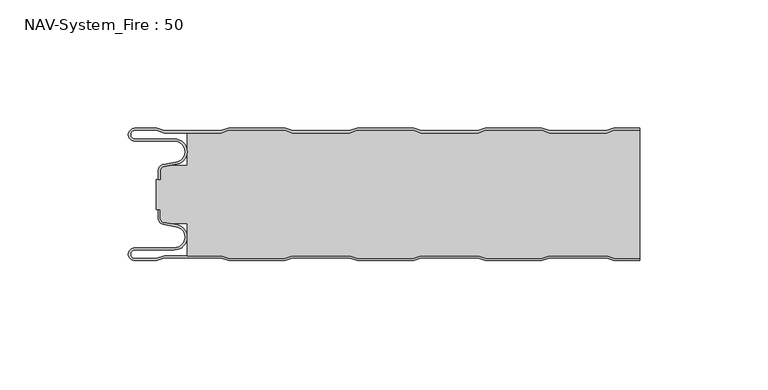
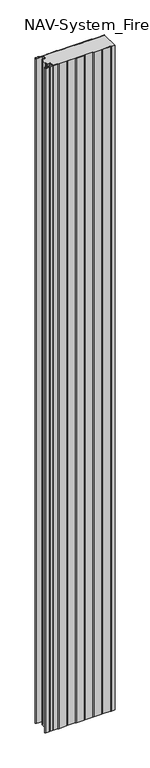
"""IFC4 building model written with IfcOpenShell, lengths in millimetres: plate geometry, NAV-System_Fire : 50."""

import ifcopenshell
import ifcopenshell.guid

model = None  # the IFC model being written
_history = None  # IfcOwnerHistory: only IFC2X3 demands one
_inside = {}  # id of a spatial element -> (the spatial element, [elements in it])
_under = {}  # id of a project, library or spatial element -> (it, [spatial elements below it])
_declared = {}  # id of a project -> (the project, [libraries it declares])
_typed = {}  # id of a type object -> (the type object, [elements of that type])
_made_of = {}  # id of a material, layer set ... -> (it, [elements and type objects made of it])


def new_model(schema):
    """Start an empty IFC model of exactly this schema.

    Asked for "IFC4X3", IfcOpenShell would pick the latest addendum, in which some entities
    have other attributes; the version numbers below select the first issue.
    IFC2X3 requires an IfcOwnerHistory on every rooted entity: one is made here for all.
    """
    global model, _history
    if schema == "IFC4X3":
        model = ifcopenshell.file(schema_version=(4, 3, 0, 0))
    else:
        model = ifcopenshell.file(schema=schema)
    _inside.clear()
    _under.clear()
    _declared.clear()
    _typed.clear()
    _made_of.clear()
    _history = None
    if model.schema == "IFC2X3":
        org = make("IfcOrganization", Name="unknown")
        user = make(
            "IfcPersonAndOrganization",
            ThePerson=make("IfcPerson", FamilyName="unknown"),
            TheOrganization=org,
        )
        app = make(
            "IfcApplication",
            ApplicationDeveloper=org,
            Version="unknown",
            ApplicationFullName="unknown",
            ApplicationIdentifier="unknown",
        )
        _history = make(
            "IfcOwnerHistory",
            OwningUser=user,
            OwningApplication=app,
            ChangeAction="ADDED",
            CreationDate=0,
        )
    return model


def make(cls, **values):
    """One entity of the class cls with the attributes given. An attribute that is None is left unset."""
    return model.create_entity(
        cls, **{name: value for name, value in values.items() if value is not None}
    )


def rooted(cls, **values):
    """An entity with a GlobalId (a new one), such as an element, a storey or a relation."""
    return make(cls, GlobalId=ifcopenshell.guid.new(), OwnerHistory=_history, **values)


def si_unit(unit_type, name, prefix=None):
    """IfcSIUnit, for example si_unit("LENGTHUNIT", "METRE", prefix="MILLI")."""
    return make("IfcSIUnit", UnitType=unit_type, Prefix=prefix, Name=name)


def assignment(units):
    """IfcUnitAssignment: the units of a project."""
    return None if units is None else make("IfcUnitAssignment", Units=units)


def point(xyz):
    """IfcCartesianPoint."""
    return None if xyz is None else make("IfcCartesianPoint", Coordinates=xyz)


def direction(xyz):
    """IfcDirection."""
    return None if xyz is None else make("IfcDirection", DirectionRatios=xyz)


def frame(location, z_axis=None, x_axis=None):
    """IfcAxis2Placement3D, a coordinate frame: its origin and axes. An axis left out is left unset."""
    return make(
        "IfcAxis2Placement3D",
        Location=point(location),
        Axis=direction(z_axis),
        RefDirection=direction(x_axis),
    )


def origin():
    """The frame at (0, 0, 0) with its axes left unset."""
    return frame((0.0, 0.0, 0.0))


def place(relative_to, where):
    """IfcLocalPlacement: puts the frame where relative to a parent placement (None: the world)."""
    return make(
        "IfcLocalPlacement", PlacementRelTo=relative_to, RelativePlacement=where
    )


def context(
    kind, dimensions, precision=None, world=None, true_north=None, identifier=None
):
    """IfcGeometricRepresentationContext, for example the 3D "Model" context."""
    return make(
        "IfcGeometricRepresentationContext",
        ContextIdentifier=identifier,
        ContextType=kind,
        CoordinateSpaceDimension=dimensions,
        Precision=precision,
        WorldCoordinateSystem=world,
        TrueNorth=true_north,
    )


def project(units=None, contexts=None):
    """IfcProject with its units and contexts."""
    return rooted(
        "IfcProject",
        Name="project",
        RepresentationContexts=contexts,
        UnitsInContext=assignment(units),
    )


def spatial(cls, under=None, at=None, **own):
    """A site, building, storey or space (cls), placed at a placement, below another one or the project."""
    s = rooted(cls, ObjectPlacement=at, **own)
    if under is not None:
        _under.setdefault(under.id(), (under, []))[1].append(s)
    return s


def polyline(points):
    """IfcPolyline through the points."""
    return make("IfcPolyline", Points=[point(p) for p in points])


def circle_curve(where, radius):
    """IfcCircle in the frame where."""
    return make("IfcCircle", Position=where, Radius=radius)


def shape(context_of_items, identifier, shape_type, items):
    """IfcShapeRepresentation: the items that make up one representation, for example the "Body"."""
    return make(
        "IfcShapeRepresentation",
        ContextOfItems=context_of_items,
        RepresentationIdentifier=identifier,
        RepresentationType=shape_type,
        Items=items,
    )


def source(mapping_origin, context_of_items, identifier, shape_type, items):
    """IfcRepresentationMap: a shape defined once, which mapped items show again and again."""
    return make(
        "IfcRepresentationMap",
        MappingOrigin=mapping_origin,
        MappedRepresentation=shape(context_of_items, identifier, shape_type, items),
    )


def transform(
    local_origin,
    x_axis=None,
    y_axis=None,
    z_axis=None,
    scale=None,
    scale2=None,
    scale3=None,
    uniform=True,
):
    """IfcCartesianTransformationOperator3D, or its non-uniform kind. x_axis, y_axis, z_axis: its Axis1, 2, 3."""
    if uniform:
        return make(
            "IfcCartesianTransformationOperator3D",
            Axis1=direction(x_axis),
            Axis2=direction(y_axis),
            LocalOrigin=point(local_origin),
            Scale=scale,
            Axis3=direction(z_axis),
        )
    return make(
        "IfcCartesianTransformationOperator3DnonUniform",
        Axis1=direction(x_axis),
        Axis2=direction(y_axis),
        LocalOrigin=point(local_origin),
        Scale=scale,
        Axis3=direction(z_axis),
        Scale2=scale2,
        Scale3=scale3,
    )


def mapped(mapping_source, mapping_target):
    """IfcMappedItem: shows the shape of a source again, moved by a transform."""
    return make(
        "IfcMappedItem", MappingSource=mapping_source, MappingTarget=mapping_target
    )


def made_of(thing, what):
    """Note that an element or type object is made of a material, layer set ...; save() writes the relation."""
    if what is not None:
        _made_of.setdefault(what.id(), (what, []))[1].append(thing)
    return thing


def element(
    cls,
    number,
    at=None,
    inside=None,
    cuts=None,
    type_object=None,
    material=None,
    context=None,
    identifier="Body",
    shape_type=None,
    held_by="IfcProductDefinitionShape",
    body=None,
    shapes=None,
    **own,
):
    """One element of the class cls, such as IfcWall. Its Tag is "e" and its number.

    at: its placement. inside: the storey or other place that contains it. cuts: it is an
    opening in that element (IfcRelVoidsElement). A single representation is given by context,
    identifier, shape_type and body (its items); several are given by shapes. held_by: the class
    of the entity that holds the representations. save() writes the other relations.
    """
    e = rooted(cls, Tag="e%d" % number, ObjectPlacement=at, **own)
    if body is not None:
        shapes = [shape(context, identifier, shape_type, body)]
    if shapes is not None:
        e.Representation = make(held_by, Representations=shapes)
    if inside is not None:
        _inside.setdefault(inside.id(), (inside, []))[1].append(e)
    if cuts is not None:
        rooted(
            "IfcRelVoidsElement", RelatingBuildingElement=cuts, RelatedOpeningElement=e
        )
    if type_object is not None:
        _typed.setdefault(type_object.id(), (type_object, []))[1].append(e)
    return made_of(e, material)


def aggregate(whole, parts):
    """IfcRelAggregates: a whole, such as a stair, and the parts it consists of."""
    return rooted("IfcRelAggregates", RelatingObject=whole, RelatedObjects=parts)


def save(model, path):
    """Write the relations noted so far, then the file.

    IfcRelAggregates (storeys below a building ...), IfcRelContainedInSpatialStructure (elements
    in a storey), IfcRelDefinesByType, IfcRelAssociatesMaterial and IfcRelDeclares: one each for
    every whole, place, type object, material and project.
    """
    for whole, parts in _under.values():
        aggregate(whole, parts)
    for where, things in _inside.values():
        rooted(
            "IfcRelContainedInSpatialStructure",
            RelatedElements=things,
            RelatingStructure=where,
        )
    for kind, things in _typed.values():
        rooted("IfcRelDefinesByType", RelatedObjects=things, RelatingType=kind)
    for what, things in _made_of.values():
        rooted("IfcRelAssociatesMaterial", RelatedObjects=things, RelatingMaterial=what)
    for by, libraries in _declared.values():
        rooted("IfcRelDeclares", RelatingContext=by, RelatedDefinitions=libraries)
    model.write(path)


def plane_surface(at):
    """IfcPlane: the flat surface through the origin of the frame at, square to its z axis."""
    return make("IfcPlane", Position=at)


def cylinder_surface(at, radius):
    """IfcCylindricalSurface: all points at the distance radius from the z axis of the frame at."""
    return make("IfcCylindricalSurface", Position=at, Radius=radius)


def revolved_surface(curve, axis_point, axis_direction):
    """IfcSurfaceOfRevolution: the curve turned about the line through axis_point along axis_direction."""
    return make(
        "IfcSurfaceOfRevolution",
        SweptCurve=make("IfcArbitraryOpenProfileDef", ProfileType="CURVE", Curve=curve),
        AxisPosition=make("IfcAxis1Placement", Location=point(axis_point), Axis=direction(axis_direction)),
    )


def advanced_brep(points, edges, surfaces, faces):
    """IfcAdvancedBrep: a solid bounded by faces that lie on surfaces and meet in shared edges.

    An edge is (start, end): straight between two places in points (the first is 0);
    or (start, end, curve); or (start, end, curve, False) where it runs against its curve.
    A face is (place in surfaces, loops), or (place, loops, False) where it looks against
    its surface's normal. A loop lists edges by number (the first is 1), with a minus sign
    where the edge is run from its end to its start. The first loop is the outer one.
    """
    corners = [point(p) for p in points]
    vertices = [make("IfcVertexPoint", VertexGeometry=c) for c in corners]
    made = []
    for start, end, *more in edges:
        made.append(
            make(
                "IfcEdgeCurve",
                EdgeStart=vertices[start],
                EdgeEnd=vertices[end],
                EdgeGeometry=more[0] if more else make("IfcPolyline", Points=[corners[start], corners[end]]),
                SameSense=more[1] if len(more) > 1 else True,
            )
        )
    hull = []
    for where, loops, *sense in faces:
        bounds = []
        for j, loop in enumerate(loops):
            ring = [make("IfcOrientedEdge", EdgeElement=made[abs(k) - 1], Orientation=k > 0) for k in loop]
            bounds.append(
                make(
                    "IfcFaceOuterBound" if j == 0 else "IfcFaceBound",
                    Bound=make("IfcEdgeLoop", EdgeList=ring),
                    Orientation=True,
                )
            )
        hull.append(make("IfcAdvancedFace", Bounds=bounds, FaceSurface=surfaces[where], SameSense=sense[0] if sense else True))
    return make("IfcAdvancedBrep", Outer=make("IfcClosedShell", CfsFaces=hull))


def nav_system_fire_50_a282d33f(model_context):
    return source(origin(), model_context, "Body", "AdvancedBrep", [
        advanced_brep(
        [(-88.6298221, -0.8, 0.0), (-97.0000001, -0.8, 0.0), (-97.0000001, -4.1999999, 0.0), (-81.6002086, -4.1999999, 0.0), (-80.7423864, -14.0049502, 0.0), (-85.6125665, -14.8636946, 0.0), (-87.1000004, -16.6363494, 0.0), (-87.1000014, -19.9421291, 0.0), (-87.9000014, -19.9421291, 0.0), (-87.9000014, -16.6363484, 0.0), (-85.7514853, -14.0758488, 0.0), (-80.8813015, -13.217104, 0.0), (-81.600205, -4.9999999, 0.0), (-97.0000001, -4.9999999, 0.0), (-97.0000001, 0.0, 0.0), (-88.5, 0.0, 0.0), (-85.5, -1.0, 0.0), (-63.5, -1.0, 0.0), (-60.5, 0.0, 0.0), (-38.5, 0.0, 0.0), (-35.5, -1.0, 0.0), (-13.5, -1.0, 0.0), (-10.5, 0.0, 0.0), (11.5, 0.0, 0.0), (14.5, -1.0, 0.0), (36.5, -1.0, 0.0), (39.5, 0.0, 0.0), (61.5, 0.0, 0.0), (64.5, -1.0, 0.0), (86.5, -1.0, 0.0), (89.5, 0.0, 0.0), (99.5, 0.0, 0.0), (99.5, -0.8, 0.0), (89.6298221, -0.8, 0.0), (86.6298221, -1.8, 0.0), (64.3701779, -1.8, 0.0), (61.3701779, -0.8, 0.0), (39.6298221, -0.8, 0.0), (36.6298221, -1.8, 0.0), (14.3701779, -1.8, 0.0), (11.3701779, -0.8, 0.0), (-10.3701779, -0.8, 0.0), (-13.3701779, -1.8, 0.0), (-35.6298221, -1.8, 0.0), (-38.6298221, -0.8, 0.0), (-60.3701779, -0.8, 0.0), (-63.3701779, -1.8, 0.0), (-85.6298221, -1.8, 0.0), (-88.6298221, -0.8, 2000.0), (-85.6298221, -1.8, 2000.0), (-63.3701779, -1.8, 2000.0), (-60.3701779, -0.8, 2000.0), (-38.6298221, -0.8, 2000.0), (-35.6298221, -1.8, 2000.0), (-13.3701779, -1.8, 2000.0), (-10.3701779, -0.8, 2000.0), (11.3701779, -0.8, 2000.0), (14.3701779, -1.8, 2000.0), (36.6298221, -1.8, 2000.0), (39.6298221, -0.8, 2000.0), (61.3701779, -0.8, 2000.0), (64.3701779, -1.8, 2000.0), (86.6298221, -1.8, 2000.0), (89.6298221, -0.8, 2000.0), (99.5, -0.8, 2000.0), (99.5, 0.0, 2000.0), (89.5, 0.0, 2000.0), (86.5, -1.0, 2000.0), (64.5, -1.0, 2000.0), (61.5, 0.0, 2000.0), (39.5, 0.0, 2000.0), (36.5, -1.0, 2000.0), (14.5, -1.0, 2000.0), (11.5, 0.0, 2000.0), (-10.5, 0.0, 2000.0), (-13.5, -1.0, 2000.0), (-35.5, -1.0, 2000.0), (-38.5, 0.0, 2000.0), (-60.5, 0.0, 2000.0), (-63.5, -1.0, 2000.0), (-85.5, -1.0, 2000.0), (-88.5, 0.0, 2000.0), (-97.0000001, 0.0, 2000.0), (-97.0000001, -4.9999999, 2000.0), (-81.600205, -4.9999999, 2000.0), (-80.8813015, -13.217104, 2000.0), (-85.7514853, -14.0758488, 2000.0), (-87.8999997, -16.6363484, 2000.0), (-87.9000014, -19.9421291, 2000.0), (-87.1000014, -19.9421291, 2000.0), (-87.1000014, -16.6363494, 2000.0), (-85.6125665, -14.8636946, 2000.0), (-80.7423864, -14.0049502, 2000.0), (-81.6002086, -4.1999999, 2000.0), (-97.0000001, -4.1999999, 2000.0), (-97.0000001, -0.8000002, 2000.0)],
        [
            (0, 1),
            (1, 2, circle_curve(frame((-97.0000001, -2.5, 0.0), z_axis=(0.0, 0.0, 1.0), x_axis=(1.0, 0.0, 0.0)), 1.6999999)),
            (2, 3),
            (3, 4, circle_curve(frame((-81.6002086, -9.1399999, 0.0), z_axis=(0.0, 0.0, -1.0), x_axis=(1.0, 0.0, 0.0)), 4.94)),
            (4, 5),
            (5, 6, circle_curve(frame((-85.2999995, -16.6363494, 0.0), z_axis=(0.0, 0.0, 1.0), x_axis=(1.0, 0.0, 0.0)), 1.8000009)),
            (6, 7),
            (7, 8),
            (8, 9),
            (9, 10, circle_curve(frame((-85.3000002, -16.6363484, 0.0), z_axis=(0.0, 0.0, -1.0), x_axis=(1.0, 0.0, 0.0)), 2.5999995)),
            (10, 11),
            (11, 12, circle_curve(frame((-81.600205, -9.1399999, 0.0), z_axis=(0.0, 0.0, 1.0), x_axis=(1.0, 0.0, 0.0)), 4.14)),
            (12, 13),
            (13, 14, circle_curve(frame((-97.0000001, -2.4999999, 0.0), z_axis=(0.0, 0.0, -1.0), x_axis=(1.0, 0.0, 0.0)), 2.4999999)),
            (14, 15),
            (15, 16),
            (16, 17),
            (17, 18),
            (18, 19),
            (19, 20),
            (20, 21),
            (21, 22),
            (22, 23),
            (23, 24),
            (24, 25),
            (25, 26),
            (26, 27),
            (27, 28),
            (28, 29),
            (29, 30),
            (30, 31),
            (31, 32),
            (32, 33),
            (33, 34),
            (34, 35),
            (35, 36),
            (36, 37),
            (37, 38),
            (38, 39),
            (39, 40),
            (40, 41),
            (41, 42),
            (42, 43),
            (43, 44),
            (44, 45),
            (45, 46),
            (46, 47),
            (47, 0),
            (48, 49),
            (49, 50),
            (50, 51),
            (51, 52),
            (52, 53),
            (53, 54),
            (54, 55),
            (55, 56),
            (56, 57),
            (57, 58),
            (58, 59),
            (59, 60),
            (60, 61),
            (61, 62),
            (62, 63),
            (63, 64),
            (64, 65),
            (65, 66),
            (66, 67),
            (67, 68),
            (68, 69),
            (69, 70),
            (70, 71),
            (71, 72),
            (72, 73),
            (73, 74),
            (74, 75),
            (75, 76),
            (76, 77),
            (77, 78),
            (78, 79),
            (79, 80),
            (80, 81),
            (81, 82),
            (82, 83, circle_curve(frame((-97.0000001, -2.4999999, 2000.0), z_axis=(0.0, 0.0, 1.0), x_axis=(1.0, 0.0, 0.0)), 2.4999999)),
            (83, 84),
            (84, 85, circle_curve(frame((-81.600205, -9.1399999, 2000.0), z_axis=(0.0, 0.0, -1.0), x_axis=(1.0, 0.0, 0.0)), 4.14)),
            (85, 86),
            (86, 87, circle_curve(frame((-85.3000002, -16.6363484, 2000.0), z_axis=(0.0, 0.0, 1.0), x_axis=(1.0, 0.0, 0.0)), 2.5999995)),
            (87, 88),
            (88, 89),
            (89, 90),
            (90, 91, circle_curve(frame((-85.2999995, -16.6363494, 2000.0), z_axis=(0.0, 0.0, -1.0), x_axis=(1.0, 0.0, 0.0)), 1.8000009)),
            (91, 92),
            (92, 93, circle_curve(frame((-81.6002086, -9.1399999, 2000.0), z_axis=(0.0, 0.0, 1.0), x_axis=(1.0, 0.0, 0.0)), 4.94)),
            (93, 94),
            (94, 95, circle_curve(frame((-97.0000001, -2.5, 2000.0), z_axis=(0.0, 0.0, -1.0), x_axis=(1.0, 0.0, 0.0)), 1.6999999)),
            (95, 48),
            (0, 48),
            (95, 1),
            (14, 82),
            (81, 15),
            (63, 33),
            (32, 64),
            (62, 34),
            (61, 35),
            (60, 36),
            (59, 37),
            (58, 38),
            (57, 39),
            (56, 40),
            (55, 41),
            (54, 42),
            (53, 43),
            (52, 44),
            (51, 45),
            (50, 46),
            (49, 47),
            (80, 16),
            (79, 17),
            (78, 18),
            (77, 19),
            (76, 20),
            (75, 21),
            (74, 22),
            (73, 23),
            (72, 24),
            (71, 25),
            (70, 26),
            (69, 27),
            (68, 28),
            (67, 29),
            (66, 30),
            (65, 31),
            (2, 94),
            (93, 3),
            (6, 90),
            (89, 7),
            (88, 8),
            (87, 9),
            (12, 84),
            (83, 13),
            (92, 4),
            (91, 5),
            (86, 10),
            (85, 11),
        ],
        [
            plane_surface(frame((-99.5, 0.0, 0.0), z_axis=(0.0, 0.0, -1.0), x_axis=(0.0, -1.0, 0.0))),
            plane_surface(frame((-99.5, 0.0, 2000.0), z_axis=(0.0, 0.0, 1.0), x_axis=(0.0, -1.0, 0.0))),
            plane_surface(frame((-88.6298221, -0.8, 0.0), z_axis=(0.0, -1.0, 0.0), x_axis=(0.0, 0.0, 1.0))),
            plane_surface(frame((-97.0000001, 0.0, 0.0), z_axis=(0.0, 1.0, 0.0), x_axis=(0.0, 0.0, 1.0))),
            plane_surface(frame((111.3701779, -0.8, 0.0), z_axis=(0.0, -1.0, 0.0), x_axis=(0.0, 0.0, 1.0))),
            plane_surface(frame((89.6298221, -0.8, 0.0), z_axis=(0.3162277660167413, -0.9486832980505461, 0.0), x_axis=(0.0, 0.0, 1.0))),
            plane_surface(frame((86.6298221, -1.8, 0.0), z_axis=(0.0, -1.0, 0.0), x_axis=(0.0, 0.0, 1.0))),
            plane_surface(frame((64.3701779, -1.8, 0.0), z_axis=(-0.31622776601675356, -0.948683298050542, 0.0), x_axis=(0.0, 0.0, 1.0))),
            plane_surface(frame((61.3701779, -0.8, 0.0), z_axis=(0.0, -1.0, 0.0), x_axis=(0.0, 0.0, 1.0))),
            plane_surface(frame((39.6298221, -0.8, 0.0), z_axis=(0.31622776601679226, -0.9486832980505291, 0.0), x_axis=(0.0, 0.0, 1.0))),
            plane_surface(frame((36.6298221, -1.8, 0.0), z_axis=(0.0, -1.0, 0.0), x_axis=(0.0, 0.0, 1.0))),
            plane_surface(frame((14.3701779, -1.8, 0.0), z_axis=(-0.3162277660168045, -0.948683298050525, 0.0), x_axis=(0.0, 0.0, 1.0))),
            plane_surface(frame((11.3701779, -0.8, 0.0), z_axis=(0.0, -1.0, 0.0), x_axis=(0.0, 0.0, 1.0))),
            plane_surface(frame((-10.3701779, -0.8, 0.0), z_axis=(0.31622776601679226, -0.9486832980505291, 0.0), x_axis=(0.0, 0.0, 1.0))),
            plane_surface(frame((-13.3701779, -1.8, 0.0), z_axis=(0.0, -1.0, 0.0), x_axis=(0.0, 0.0, 1.0))),
            plane_surface(frame((-35.6298221, -1.8, 0.0), z_axis=(-0.3162277660168045, -0.948683298050525, 0.0), x_axis=(0.0, 0.0, 1.0))),
            plane_surface(frame((-38.6298221, -0.8, 0.0), z_axis=(0.0, -1.0, 0.0), x_axis=(0.0, 0.0, 1.0))),
            plane_surface(frame((-60.3701779, -0.8, 0.0), z_axis=(0.3162277660167413, -0.9486832980505461, 0.0), x_axis=(0.0, 0.0, 1.0))),
            plane_surface(frame((-63.3701779, -1.8, 0.0), z_axis=(0.0, -1.0, 0.0), x_axis=(0.0, 0.0, 1.0))),
            plane_surface(frame((-85.6298221, -1.8, 0.0), z_axis=(-0.3162277660167413, -0.9486832980505461, 0.0), x_axis=(0.0, 0.0, 1.0))),
            plane_surface(frame((-88.5, 0.0, 0.0), z_axis=(0.31622776601671865, 0.9486832980505536, 0.0), x_axis=(0.0, 0.0, 1.0))),
            plane_surface(frame((-85.5, -1.0, 0.0), z_axis=(0.0, 1.0, 0.0), x_axis=(0.0, 0.0, 1.0))),
            plane_surface(frame((-63.5, -1.0, 0.0), z_axis=(-0.31622776601671865, 0.9486832980505536, 0.0), x_axis=(0.0, 0.0, 1.0))),
            plane_surface(frame((-60.5, 0.0, 0.0), z_axis=(0.0, 1.0, 0.0), x_axis=(0.0, 0.0, 1.0))),
            plane_surface(frame((-38.5, 0.0, 0.0), z_axis=(0.31622776601678754, 0.9486832980505306, 0.0), x_axis=(0.0, 0.0, 1.0))),
            plane_surface(frame((-35.5, -1.0, 0.0), z_axis=(0.0, 1.0, 0.0), x_axis=(0.0, 0.0, 1.0))),
            plane_surface(frame((-13.5, -1.0, 0.0), z_axis=(-0.3162277660167752, 0.9486832980505348, 0.0), x_axis=(0.0, 0.0, 1.0))),
            plane_surface(frame((-10.5, 0.0, 0.0), z_axis=(0.0, 1.0, 0.0), x_axis=(0.0, 0.0, 1.0))),
            plane_surface(frame((11.5, 0.0, 0.0), z_axis=(0.31622776601678754, 0.9486832980505306, 0.0), x_axis=(0.0, 0.0, 1.0))),
            plane_surface(frame((14.5, -1.0, 0.0), z_axis=(0.0, 1.0, 0.0), x_axis=(0.0, 0.0, 1.0))),
            plane_surface(frame((36.5, -1.0, 0.0), z_axis=(-0.3162277660167752, 0.9486832980505348, 0.0), x_axis=(0.0, 0.0, 1.0))),
            plane_surface(frame((39.5, 0.0, 0.0), z_axis=(0.0, 1.0, 0.0), x_axis=(0.0, 0.0, 1.0))),
            plane_surface(frame((61.5, 0.0, 0.0), z_axis=(0.3162277660167309, 0.9486832980505495, 0.0), x_axis=(0.0, 0.0, 1.0))),
            plane_surface(frame((64.5, -1.0, 0.0), z_axis=(0.0, 1.0, 0.0), x_axis=(0.0, 0.0, 1.0))),
            plane_surface(frame((86.5, -1.0, 0.0), z_axis=(-0.31622776601671865, 0.9486832980505536, 0.0), x_axis=(0.0, 0.0, 1.0))),
            plane_surface(frame((89.5, 0.0, 0.0), z_axis=(0.0, 1.0, 0.0), x_axis=(0.0, 0.0, 1.0))),
            plane_surface(frame((-97.0000001, -4.1999999, 0.0), z_axis=(0.0, 1.0, 0.0), x_axis=(0.0, 0.0, 1.0))),
            plane_surface(frame((-87.1000014, -16.6363494, 0.0), z_axis=(1.0, 0.0, 0.0), x_axis=(0.0, 0.0, 1.0))),
            plane_surface(frame((-87.1000014, -19.9421291, 0.0), z_axis=(0.0, -1.0, 0.0), x_axis=(0.0, 0.0, 1.0))),
            plane_surface(frame((-87.9000014, -19.9421291, 0.0), z_axis=(-1.0, 0.0, 0.0), x_axis=(0.0, 0.0, 1.0))),
            plane_surface(frame((-81.600205, -4.9999999, 0.0), z_axis=(0.0, -1.0, 0.0), x_axis=(0.0, 0.0, 1.0))),
            revolved_surface(polyline([(-95.3000002, -2.5, 2000.0), (-95.3000002, -2.5, 0.0)]), (-97.0000001, -2.5, 0.0), (0.0, 0.0, 1.0)),
            cylinder_surface(frame((-81.6002086, -9.1399999, 0.0), z_axis=(0.0, 0.0, -1.0), x_axis=(1.0, 0.0, 0.0)), 4.94),
            plane_surface(frame((-80.7423864, -14.0049502, 0.0), z_axis=(0.17364822279076972, -0.9848077450556567, 0.0), x_axis=(0.0, 0.0, 1.0))),
            revolved_surface(polyline([(-83.4999986, -16.6363494, 2000.0), (-83.4999986, -16.6363494, 0.0)]), (-85.2999995, -16.6363494, 0.0), (0.0, 0.0, 1.0)),
            cylinder_surface(frame((-85.3000002, -16.6363484, 0.0), z_axis=(0.0, 0.0, -1.0), x_axis=(1.0, 0.0, 0.0)), 2.5999995),
            plane_surface(frame((-85.7514853, -14.0758488, 0.0), z_axis=(-0.17364817295915452, 0.984807753842316, 0.0), x_axis=(0.0, 0.0, 1.0))),
            revolved_surface(polyline([(-77.460205, -9.1399999, 2000.0), (-77.460205, -9.1399999, 0.0)]), (-81.600205, -9.1399999, 0.0), (0.0, 0.0, 1.0)),
            cylinder_surface(frame((-97.0000001, -2.4999999, 0.0), z_axis=(0.0, 0.0, -1.0), x_axis=(1.0, 0.0, 0.0)), 2.4999999),
            plane_surface(frame((99.5, 100.0, 2000.0), z_axis=(1.0, 0.0, 0.0), x_axis=(0.0, 0.0, -1.0))),
        ],
        [
            (0, [[1, 2, 3, 4, 5, 6, 7, 8, 9, 10, 11, 12, 13, 14, 15, 16, 17, 18, 19, 20, 21, 22, 23, 24, 25, 26, 27, 28, 29, 30, 31, 32, 33, 34, 35, 36, 37, 38, 39, 40, 41, 42, 43, 44, 45, 46, 47, 48]]),
            (1, [[49, 50, 51, 52, 53, 54, 55, 56, 57, 58, 59, 60, 61, 62, 63, 64, 65, 66, 67, 68, 69, 70, 71, 72, 73, 74, 75, 76, 77, 78, 79, 80, 81, 82, 83, 84, 85, 86, 87, 88, 89, 90, 91, 92, 93, 94, 95, 96]]),
            (2, [[-1, 97, -96, 98]]),
            (3, [[-15, 99, -82, 100]]),
            (4, [[101, -33, 102, -64]]),
            (5, [[-34, -101, -63, 103]]),
            (6, [[-35, -103, -62, 104]]),
            (7, [[-36, -104, -61, 105]]),
            (8, [[-37, -105, -60, 106]]),
            (9, [[-38, -106, -59, 107]]),
            (10, [[-39, -107, -58, 108]]),
            (11, [[-40, -108, -57, 109]]),
            (12, [[-41, -109, -56, 110]]),
            (13, [[-42, -110, -55, 111]]),
            (14, [[-43, -111, -54, 112]]),
            (15, [[-44, -112, -53, 113]]),
            (16, [[-45, -113, -52, 114]]),
            (17, [[-46, -114, -51, 115]]),
            (18, [[-47, -115, -50, 116]]),
            (19, [[-48, -116, -49, -97]]),
            (20, [[-16, -100, -81, 117]]),
            (21, [[-17, -117, -80, 118]]),
            (22, [[-18, -118, -79, 119]]),
            (23, [[-19, -119, -78, 120]]),
            (24, [[-20, -120, -77, 121]]),
            (25, [[-21, -121, -76, 122]]),
            (26, [[-22, -122, -75, 123]]),
            (27, [[-23, -123, -74, 124]]),
            (28, [[-24, -124, -73, 125]]),
            (29, [[-25, -125, -72, 126]]),
            (30, [[-26, -126, -71, 127]]),
            (31, [[-27, -127, -70, 128]]),
            (32, [[-28, -128, -69, 129]]),
            (33, [[-29, -129, -68, 130]]),
            (34, [[-30, -130, -67, 131]]),
            (35, [[-131, -66, 132, -31]]),
            (36, [[-3, 133, -94, 134]]),
            (37, [[-7, 135, -90, 136]]),
            (38, [[-8, -136, -89, 137]]),
            (39, [[-9, -137, -88, 138]]),
            (40, [[-13, 139, -84, 140]]),
            (41, [[-2, -98, -95, -133]]),
            (42, [[-4, -134, -93, 141]]),
            (43, [[-5, -141, -92, 142]]),
            (44, [[-6, -142, -91, -135]]),
            (45, [[-10, -138, -87, 143]]),
            (46, [[-11, -143, -86, 144]]),
            (47, [[-12, -144, -85, -139]]),
            (48, [[-14, -140, -83, -99]]),
            (49, [[-32, -132, -65, -102]]),
        ],
    ),
        advanced_brep(
        [(89.6298221, -0.8, 2000.0), (86.6298221, -1.8, 2000.0), (64.3701779, -1.8, 2000.0), (61.3701779, -0.8, 2000.0), (39.6298221, -0.8, 2000.0), (36.6298221, -1.8, 2000.0), (14.3701779, -1.8, 2000.0), (11.3701779, -0.8, 2000.0), (-10.3701779, -0.8, 2000.0), (-13.3701779, -1.8, 2000.0), (-35.6298221, -1.8, 2000.0), (-38.6298221, -0.8, 2000.0), (-60.3701779, -0.8, 2000.0), (-63.3701779, -1.8, 2000.0), (-76.6602086, -1.8, 2000.0), (-76.6602086, -14.4343223, 2000.0), (-83.1774784, -14.4343223, 2000.0), (-85.6125665, -14.8636942, 2000.0), (-87.1000004, -16.636349, 2000.0), (-87.1000004, -19.9487816, 2000.0), (-88.6502227, -19.9487816, 2000.0), (-88.6502227, -31.6487997, 2000.0), (-87.1000014, -31.6487997, 2000.0), (-87.1000014, -34.963651, 2000.0), (-85.6125665, -36.7363054, 2000.0), (-83.1774762, -37.1656777, 2000.0), (-76.6602086, -37.1656777, 2000.0), (-76.6602086, -49.8, 2000.0), (-63.3701779, -49.8, 2000.0), (-60.3701779, -50.8, 2000.0), (-38.6298221, -50.8, 2000.0), (-35.6298221, -49.8, 2000.0), (-13.3701779, -49.8, 2000.0), (-10.3701779, -50.8, 2000.0), (11.3701779, -50.8, 2000.0), (14.3701779, -49.8, 2000.0), (36.6298221, -49.8, 2000.0), (39.6298221, -50.8, 2000.0), (61.3701779, -50.8, 2000.0), (64.3701779, -49.8, 2000.0), (86.6298221, -49.8, 2000.0), (89.6298221, -50.8, 2000.0), (99.5, -50.8, 2000.0), (99.5, -0.8, 2000.0), (89.6298221, -50.8, 0.0), (86.6298221, -49.8, 0.0), (64.3701779, -49.8, 0.0), (61.3701779, -50.8, 0.0), (39.6298221, -50.8, 0.0), (36.6298221, -49.8, 0.0), (14.3701779, -49.8, 0.0), (11.3701779, -50.8, 0.0), (-10.3701779, -50.8, 0.0), (-13.3701779, -49.8, 0.0), (-35.6298221, -49.8, 0.0), (-38.6298221, -50.8, 0.0), (-60.3701779, -50.8, 0.0), (-63.3701779, -49.8, 0.0), (-76.6602086, -49.8, 0.0), (-76.6602086, -37.1656777, 0.0), (-83.1774762, -37.1656777, 0.0), (-85.6125665, -36.7363054, 0.0), (-87.1000004, -34.963651, 0.0), (-87.1000014, -31.6487997, 0.0), (-88.6502227, -31.6487997, 0.0), (-88.6502227, -19.9487816, 0.0), (-87.1000004, -19.9487816, 0.0), (-87.1000004, -16.636349, 0.0), (-85.6125665, -14.8636942, 0.0), (-83.1774784, -14.4343223, 0.0), (-76.6602086, -14.4343223, 0.0), (-76.6602086, -1.8, 0.0), (-63.3701779, -1.8, 0.0), (-60.3701779, -0.8, 0.0), (-38.6298221, -0.8, 0.0), (-35.6298221, -1.8, 0.0), (-13.3701779, -1.8, 0.0), (-10.3701779, -0.8, 0.0), (11.3701779, -0.8, 0.0), (14.3701779, -1.8, 0.0), (36.6298221, -1.8, 0.0), (39.6298221, -0.8, 0.0), (61.3701779, -0.8, 0.0), (64.3701779, -1.8, 0.0), (86.6298221, -1.8, 0.0), (89.6298221, -0.8, 0.0), (99.5, -0.8, 0.0), (99.5, -50.8, 0.0)],
        [
            (0, 1),
            (1, 2),
            (2, 3),
            (3, 4),
            (4, 5),
            (5, 6),
            (6, 7),
            (7, 8),
            (8, 9),
            (9, 10),
            (10, 11),
            (11, 12),
            (12, 13),
            (13, 14),
            (14, 15),
            (15, 16),
            (16, 17),
            (17, 18, circle_curve(frame((-85.2999995, -16.636349, 2000.0), z_axis=(0.0, 0.0, 1.0), x_axis=(1.0, 0.0, 0.0)), 1.8000009)),
            (18, 19),
            (19, 20),
            (20, 21),
            (21, 22),
            (22, 23),
            (23, 24, circle_curve(frame((-85.2999995, -34.9636506, 2000.0), z_axis=(0.0, 0.0, 1.0), x_axis=(1.0, 0.0, 0.0)), 1.8000009)),
            (24, 25),
            (25, 26),
            (26, 27),
            (27, 28),
            (28, 29),
            (29, 30),
            (30, 31),
            (31, 32),
            (32, 33),
            (33, 34),
            (34, 35),
            (35, 36),
            (36, 37),
            (37, 38),
            (38, 39),
            (39, 40),
            (40, 41),
            (41, 42),
            (42, 43),
            (43, 0),
            (44, 45),
            (45, 46),
            (46, 47),
            (47, 48),
            (48, 49),
            (49, 50),
            (50, 51),
            (51, 52),
            (52, 53),
            (53, 54),
            (54, 55),
            (55, 56),
            (56, 57),
            (57, 58),
            (58, 59),
            (59, 60),
            (60, 61),
            (61, 62, circle_curve(frame((-85.2999995, -34.9636506, 0.0), z_axis=(0.0, 0.0, -1.0), x_axis=(1.0, 0.0, 0.0)), 1.8000009)),
            (62, 63),
            (63, 64),
            (64, 65),
            (65, 66),
            (66, 67),
            (67, 68, circle_curve(frame((-85.2999995, -16.636349, 0.0), z_axis=(0.0, 0.0, -1.0), x_axis=(1.0, 0.0, 0.0)), 1.8000009)),
            (68, 69),
            (69, 70),
            (70, 71),
            (71, 72),
            (72, 73),
            (73, 74),
            (74, 75),
            (75, 76),
            (76, 77),
            (77, 78),
            (78, 79),
            (79, 80),
            (80, 81),
            (81, 82),
            (82, 83),
            (83, 84),
            (84, 85),
            (85, 86),
            (86, 87),
            (87, 44),
            (85, 0),
            (43, 86),
            (84, 1),
            (83, 2),
            (82, 3),
            (81, 4),
            (80, 5),
            (79, 6),
            (78, 7),
            (77, 8),
            (76, 9),
            (75, 10),
            (74, 11),
            (73, 12),
            (72, 13),
            (71, 14),
            (27, 58),
            (57, 28),
            (56, 29),
            (55, 30),
            (54, 31),
            (53, 32),
            (52, 33),
            (51, 34),
            (50, 35),
            (49, 36),
            (48, 37),
            (47, 38),
            (46, 39),
            (45, 40),
            (44, 41),
            (87, 42),
            (70, 15),
            (69, 16),
            (18, 67),
            (66, 19),
            (65, 20),
            (64, 21),
            (25, 60),
            (59, 26),
            (68, 17),
            (63, 22),
            (62, 23),
            (61, 24),
        ],
        [
            plane_surface(frame((-99.5, 0.0, 2000.0), z_axis=(0.0, 0.0, 1.0), x_axis=(0.0, -1.0, 0.0))),
            plane_surface(frame((-99.5, 0.0, 0.0), z_axis=(0.0, 0.0, -1.0), x_axis=(0.0, -1.0, 0.0))),
            plane_surface(frame((111.3701779, -0.8, 2000.0), z_axis=(0.0, 1.0, 0.0), x_axis=(0.0, 0.0, -1.0))),
            plane_surface(frame((89.6298221, -0.8, 2000.0), z_axis=(-0.3162277660167413, 0.9486832980505461, 0.0), x_axis=(0.0, 0.0, -1.0))),
            plane_surface(frame((86.6298221, -1.8, 2000.0), z_axis=(0.0, 1.0, 0.0), x_axis=(0.0, 0.0, -1.0))),
            plane_surface(frame((64.3701779, -1.8, 2000.0), z_axis=(0.31622776601675356, 0.948683298050542, 0.0), x_axis=(0.0, 0.0, -1.0))),
            plane_surface(frame((61.3701779, -0.8, 2000.0), z_axis=(0.0, 1.0, 0.0), x_axis=(0.0, 0.0, -1.0))),
            plane_surface(frame((39.6298221, -0.8, 2000.0), z_axis=(-0.31622776601679226, 0.9486832980505291, 0.0), x_axis=(0.0, 0.0, -1.0))),
            plane_surface(frame((36.6298221, -1.8, 2000.0), z_axis=(0.0, 1.0, 0.0), x_axis=(0.0, 0.0, -1.0))),
            plane_surface(frame((14.3701779, -1.8, 2000.0), z_axis=(0.3162277660168045, 0.948683298050525, 0.0), x_axis=(0.0, 0.0, -1.0))),
            plane_surface(frame((11.3701779, -0.8, 2000.0), z_axis=(0.0, 1.0, 0.0), x_axis=(0.0, 0.0, -1.0))),
            plane_surface(frame((-10.3701779, -0.8, 2000.0), z_axis=(-0.31622776601679226, 0.9486832980505291, 0.0), x_axis=(0.0, 0.0, -1.0))),
            plane_surface(frame((-13.3701779, -1.8, 2000.0), z_axis=(0.0, 1.0, 0.0), x_axis=(0.0, 0.0, -1.0))),
            plane_surface(frame((-35.6298221, -1.8, 2000.0), z_axis=(0.3162277660168045, 0.948683298050525, 0.0), x_axis=(0.0, 0.0, -1.0))),
            plane_surface(frame((-38.6298221, -0.8, 2000.0), z_axis=(0.0, 1.0, 0.0), x_axis=(0.0, 0.0, -1.0))),
            plane_surface(frame((-60.3701779, -0.8, 2000.0), z_axis=(-0.3162277660167413, 0.9486832980505461, 0.0), x_axis=(0.0, 0.0, -1.0))),
            plane_surface(frame((-63.3701779, -1.8, 2000.0), z_axis=(0.0, 1.0, 0.0), x_axis=(0.0, 0.0, -1.0))),
            plane_surface(frame((-76.6602086, -49.8, 2000.0), z_axis=(0.0, -1.0, 0.0), x_axis=(0.0, 0.0, -1.0))),
            plane_surface(frame((-63.3701779, -49.8, 2000.0), z_axis=(-0.31622776601680425, -0.9486832980505251, 0.0), x_axis=(0.0, 0.0, -1.0))),
            plane_surface(frame((-60.3701779, -50.8, 2000.0), z_axis=(0.0, -1.0, 0.0), x_axis=(0.0, 0.0, -1.0))),
            plane_surface(frame((-38.6298221, -50.8, 2000.0), z_axis=(0.3162277660166068, -0.9486832980505908, 0.0), x_axis=(0.0, 0.0, -1.0))),
            plane_surface(frame((-35.6298221, -49.8, 2000.0), z_axis=(0.0, -1.0, 0.0), x_axis=(0.0, 0.0, -1.0))),
            plane_surface(frame((-13.3701779, -49.8, 2000.0), z_axis=(-0.3162277660169808, -0.9486832980504663, 0.0), x_axis=(0.0, 0.0, -1.0))),
            plane_surface(frame((-10.3701779, -50.8, 2000.0), z_axis=(0.0, -1.0, 0.0), x_axis=(0.0, 0.0, -1.0))),
            plane_surface(frame((11.3701779, -50.8, 2000.0), z_axis=(0.3162277660165346, -0.9486832980506149, 0.0), x_axis=(0.0, 0.0, -1.0))),
            plane_surface(frame((14.3701779, -49.8, 2000.0), z_axis=(0.0, -1.0, 0.0), x_axis=(0.0, 0.0, -1.0))),
            plane_surface(frame((36.6298221, -49.8, 2000.0), z_axis=(-0.3162277660169872, -0.9486832980504641, 0.0), x_axis=(0.0, 0.0, -1.0))),
            plane_surface(frame((39.6298221, -50.8, 2000.0), z_axis=(0.0, -1.0, 0.0), x_axis=(0.0, 0.0, -1.0))),
            plane_surface(frame((61.3701779, -50.8, 2000.0), z_axis=(0.31622776601646235, -0.948683298050639, 0.0), x_axis=(0.0, 0.0, -1.0))),
            plane_surface(frame((64.3701779, -49.8, 2000.0), z_axis=(0.0, -1.0, 0.0), x_axis=(0.0, 0.0, -1.0))),
            plane_surface(frame((86.6298221, -49.8, 2000.0), z_axis=(-0.316227766016862, -0.9486832980505058, 0.0), x_axis=(0.0, 0.0, -1.0))),
            plane_surface(frame((89.6298221, -50.8, 2000.0), z_axis=(0.0, -1.0, 0.0), x_axis=(0.0, 0.0, -1.0))),
            plane_surface(frame((-76.6602086, -1.8, 2000.0), z_axis=(-1.0, 0.0, 0.0), x_axis=(0.0, 0.0, -1.0))),
            plane_surface(frame((-76.6602086, -14.4343223, 2000.0), z_axis=(0.0, 1.0, 0.0), x_axis=(0.0, 0.0, -1.0))),
            plane_surface(frame((-87.1000004, -16.636349, 2000.0), z_axis=(-1.0, 0.0, 0.0), x_axis=(0.0, 0.0, -1.0))),
            plane_surface(frame((-87.1000004, -19.9487816, 2000.0), z_axis=(0.0, 1.0, 0.0), x_axis=(0.0, 0.0, -1.0))),
            plane_surface(frame((-88.6502227, -19.9487816, 2000.0), z_axis=(-1.0, 0.0, 0.0), x_axis=(0.0, 0.0, -1.0))),
            plane_surface(frame((-83.1774762, -37.1656777, 2000.0), z_axis=(0.0, -1.0, 0.0), x_axis=(0.0, 0.0, -1.0))),
            plane_surface(frame((-76.6602086, -37.1656777, 2000.0), z_axis=(-1.0, 0.0, 0.0), x_axis=(0.0, 0.0, -1.0))),
            plane_surface(frame((-83.1774784, -14.4343223, 2000.0), z_axis=(-0.17364822279076972, 0.9848077450556567, 0.0), x_axis=(0.0, 0.0, -1.0))),
            cylinder_surface(frame((-85.2999995, -16.636349, 2000.0), z_axis=(0.0, 0.0, 1.0), x_axis=(1.0, 0.0, 0.0)), 1.8000009),
            plane_surface(frame((-88.6502227, -31.6487997, 2000.0), z_axis=(0.0, -1.0, 0.0), x_axis=(0.0, 0.0, -1.0))),
            plane_surface(frame((-87.1000014, -31.6487997, 2000.0), z_axis=(-1.0, 0.0, 0.0), x_axis=(0.0, 0.0, -1.0))),
            cylinder_surface(frame((-85.2999995, -34.9636506, 2000.0), z_axis=(0.0, 0.0, 1.0), x_axis=(1.0, 0.0, 0.0)), 1.8000009),
            plane_surface(frame((-85.6125665, -36.7363054, 2000.0), z_axis=(-0.17364822279077433, -0.9848077450556558, 0.0), x_axis=(0.0, 0.0, -1.0))),
            plane_surface(frame((99.5, 100.0, 2000.0), z_axis=(1.0, 0.0, 0.0), x_axis=(0.0, 0.0, -1.0))),
        ],
        [
            (0, [[1, 2, 3, 4, 5, 6, 7, 8, 9, 10, 11, 12, 13, 14, 15, 16, 17, 18, 19, 20, 21, 22, 23, 24, 25, 26, 27, 28, 29, 30, 31, 32, 33, 34, 35, 36, 37, 38, 39, 40, 41, 42, 43, 44]]),
            (1, [[45, 46, 47, 48, 49, 50, 51, 52, 53, 54, 55, 56, 57, 58, 59, 60, 61, 62, 63, 64, 65, 66, 67, 68, 69, 70, 71, 72, 73, 74, 75, 76, 77, 78, 79, 80, 81, 82, 83, 84, 85, 86, 87, 88]]),
            (2, [[89, -44, 90, -86]]),
            (3, [[-1, -89, -85, 91]]),
            (4, [[-2, -91, -84, 92]]),
            (5, [[-3, -92, -83, 93]]),
            (6, [[-4, -93, -82, 94]]),
            (7, [[-5, -94, -81, 95]]),
            (8, [[-6, -95, -80, 96]]),
            (9, [[-7, -96, -79, 97]]),
            (10, [[-8, -97, -78, 98]]),
            (11, [[-9, -98, -77, 99]]),
            (12, [[-10, -99, -76, 100]]),
            (13, [[-11, -100, -75, 101]]),
            (14, [[-12, -101, -74, 102]]),
            (15, [[-13, -102, -73, 103]]),
            (16, [[-14, -103, -72, 104]]),
            (17, [[-28, 105, -58, 106]]),
            (18, [[-29, -106, -57, 107]]),
            (19, [[-30, -107, -56, 108]]),
            (20, [[-31, -108, -55, 109]]),
            (21, [[-32, -109, -54, 110]]),
            (22, [[-33, -110, -53, 111]]),
            (23, [[-34, -111, -52, 112]]),
            (24, [[-35, -112, -51, 113]]),
            (25, [[-36, -113, -50, 114]]),
            (26, [[-37, -114, -49, 115]]),
            (27, [[-38, -115, -48, 116]]),
            (28, [[-39, -116, -47, 117]]),
            (29, [[-40, -117, -46, 118]]),
            (30, [[-41, -118, -45, 119]]),
            (31, [[-119, -88, 120, -42]]),
            (32, [[-15, -104, -71, 121]]),
            (33, [[-16, -121, -70, 122]]),
            (34, [[-19, 123, -67, 124]]),
            (35, [[-20, -124, -66, 125]]),
            (36, [[-21, -125, -65, 126]]),
            (37, [[-26, 127, -60, 128]]),
            (38, [[-27, -128, -59, -105]]),
            (39, [[-17, -122, -69, 129]]),
            (40, [[-18, -129, -68, -123]]),
            (41, [[-22, -126, -64, 130]]),
            (42, [[-23, -130, -63, 131]]),
            (43, [[-24, -131, -62, 132]]),
            (44, [[-25, -132, -61, -127]]),
            (45, [[-43, -120, -87, -90]]),
        ],
    ),
        advanced_brep(
        [(-88.6298221, -50.8, 2000.0), (-97.0000001, -50.8, 2000.0), (-97.0000001, -47.4000001, 2000.0), (-81.6002086, -47.4000001, 2000.0), (-80.7423864, -37.5950498, 2000.0), (-85.6125665, -36.7363054, 2000.0), (-87.1000004, -34.9636506, 2000.0), (-87.1000014, -31.6578709, 2000.0), (-87.9000014, -31.6578709, 2000.0), (-87.9000014, -34.9636516, 2000.0), (-85.7514853, -37.5241512, 2000.0), (-80.8813015, -38.382896, 2000.0), (-81.600205, -46.6000001, 2000.0), (-97.0000001, -46.6000001, 2000.0), (-97.0000001, -51.6, 2000.0), (-88.5, -51.6, 2000.0), (-85.5, -50.6, 2000.0), (-63.5, -50.6, 2000.0), (-60.5, -51.6, 2000.0), (-38.5, -51.6, 2000.0), (-35.5, -50.6, 2000.0), (-13.5, -50.6, 2000.0), (-10.5, -51.6, 2000.0), (11.5, -51.6, 2000.0), (14.5, -50.6, 2000.0), (36.5, -50.6, 2000.0), (39.5, -51.6, 2000.0), (61.5, -51.6, 2000.0), (64.5, -50.6, 2000.0), (86.5, -50.6, 2000.0), (89.5, -51.6, 2000.0), (99.5, -51.6, 2000.0), (99.5, -50.8, 2000.0), (89.6298221, -50.8, 2000.0), (86.6298221, -49.8, 2000.0), (64.3701779, -49.8, 2000.0), (61.3701779, -50.8, 2000.0), (39.6298221, -50.8, 2000.0), (36.6298221, -49.8, 2000.0), (14.3701779, -49.8, 2000.0), (11.3701779, -50.8, 2000.0), (-10.3701779, -50.8, 2000.0), (-13.3701779, -49.8, 2000.0), (-35.6298221, -49.8, 2000.0), (-38.6298221, -50.8, 2000.0), (-60.3701779, -50.8, 2000.0), (-63.3701779, -49.8, 2000.0), (-85.6298221, -49.8, 2000.0), (-88.6298221, -50.8, 0.0), (-85.6298221, -49.8, 0.0), (-63.3701779, -49.8, 0.0), (-60.3701779, -50.8, 0.0), (-38.6298221, -50.8, 0.0), (-35.6298221, -49.8, 0.0), (-13.3701779, -49.8, 0.0), (-10.3701779, -50.8, 0.0), (11.3701779, -50.8, 0.0), (14.3701779, -49.8, 0.0), (36.6298221, -49.8, 0.0), (39.6298221, -50.8, 0.0), (61.3701779, -50.8, 0.0), (64.3701779, -49.8, 0.0), (86.6298221, -49.8, 0.0), (89.6298221, -50.8, 0.0), (99.5, -50.8, 0.0), (99.5, -51.6, 0.0), (89.5, -51.6, 0.0), (86.5, -50.6, 0.0), (64.5, -50.6, 0.0), (61.5, -51.6, 0.0), (39.5, -51.6, 0.0), (36.5, -50.6, 0.0), (14.5, -50.6, 0.0), (11.5, -51.6, 0.0), (-10.5, -51.6, 0.0), (-13.5, -50.6, 0.0), (-35.5, -50.6, 0.0), (-38.5, -51.6, 0.0), (-60.5, -51.6, 0.0), (-63.5, -50.6, 0.0), (-85.5, -50.6, 0.0), (-88.5, -51.6, 0.0), (-97.0000001, -51.6, 0.0), (-97.0000001, -46.6000001, 0.0), (-81.600205, -46.6000001, 0.0), (-80.8813015, -38.382896, 0.0), (-85.7514853, -37.5241512, 0.0), (-87.8999997, -34.9636516, 0.0), (-87.9000014, -31.6578709, 0.0), (-87.1000014, -31.6578709, 0.0), (-87.1000014, -34.9636506, 0.0), (-85.6125665, -36.7363054, 0.0), (-80.7423864, -37.5950498, 0.0), (-81.6002086, -47.4000001, 0.0), (-97.0000001, -47.4000001, 0.0), (-97.0000001, -50.7999998, 0.0)],
        [
            (0, 1),
            (1, 2, circle_curve(frame((-97.0000001, -49.1, 2000.0), z_axis=(0.0, 0.0, -1.0), x_axis=(1.0, 0.0, 0.0)), 1.6999999)),
            (2, 3),
            (3, 4, circle_curve(frame((-81.6002086, -42.4600001, 2000.0), z_axis=(0.0, 0.0, 1.0), x_axis=(1.0, 0.0, 0.0)), 4.94)),
            (4, 5),
            (5, 6, circle_curve(frame((-85.2999995, -34.9636506, 2000.0), z_axis=(0.0, 0.0, -1.0), x_axis=(1.0, 0.0, 0.0)), 1.8000009)),
            (6, 7),
            (7, 8),
            (8, 9),
            (9, 10, circle_curve(frame((-85.3000002, -34.9636516, 2000.0), z_axis=(0.0, 0.0, 1.0), x_axis=(1.0, 0.0, 0.0)), 2.5999995)),
            (10, 11),
            (11, 12, circle_curve(frame((-81.600205, -42.4600001, 2000.0), z_axis=(0.0, 0.0, -1.0), x_axis=(1.0, 0.0, 0.0)), 4.14)),
            (12, 13),
            (13, 14, circle_curve(frame((-97.0000001, -49.1000001, 2000.0), z_axis=(0.0, 0.0, 1.0), x_axis=(1.0, 0.0, 0.0)), 2.4999999)),
            (14, 15),
            (15, 16),
            (16, 17),
            (17, 18),
            (18, 19),
            (19, 20),
            (20, 21),
            (21, 22),
            (22, 23),
            (23, 24),
            (24, 25),
            (25, 26),
            (26, 27),
            (27, 28),
            (28, 29),
            (29, 30),
            (30, 31),
            (31, 32),
            (32, 33),
            (33, 34),
            (34, 35),
            (35, 36),
            (36, 37),
            (37, 38),
            (38, 39),
            (39, 40),
            (40, 41),
            (41, 42),
            (42, 43),
            (43, 44),
            (44, 45),
            (45, 46),
            (46, 47),
            (47, 0),
            (48, 49),
            (49, 50),
            (50, 51),
            (51, 52),
            (52, 53),
            (53, 54),
            (54, 55),
            (55, 56),
            (56, 57),
            (57, 58),
            (58, 59),
            (59, 60),
            (60, 61),
            (61, 62),
            (62, 63),
            (63, 64),
            (64, 65),
            (65, 66),
            (66, 67),
            (67, 68),
            (68, 69),
            (69, 70),
            (70, 71),
            (71, 72),
            (72, 73),
            (73, 74),
            (74, 75),
            (75, 76),
            (76, 77),
            (77, 78),
            (78, 79),
            (79, 80),
            (80, 81),
            (81, 82),
            (82, 83, circle_curve(frame((-97.0000001, -49.1000001, 0.0), z_axis=(0.0, 0.0, -1.0), x_axis=(1.0, 0.0, 0.0)), 2.4999999)),
            (83, 84),
            (84, 85, circle_curve(frame((-81.600205, -42.4600001, 0.0), z_axis=(0.0, 0.0, 1.0), x_axis=(1.0, 0.0, 0.0)), 4.14)),
            (85, 86),
            (86, 87, circle_curve(frame((-85.3000002, -34.9636516, 0.0), z_axis=(0.0, 0.0, -1.0), x_axis=(1.0, 0.0, 0.0)), 2.5999995)),
            (87, 88),
            (88, 89),
            (89, 90),
            (90, 91, circle_curve(frame((-85.2999995, -34.9636506, 0.0), z_axis=(0.0, 0.0, 1.0), x_axis=(1.0, 0.0, 0.0)), 1.8000009)),
            (91, 92),
            (92, 93, circle_curve(frame((-81.6002086, -42.4600001, 0.0), z_axis=(0.0, 0.0, -1.0), x_axis=(1.0, 0.0, 0.0)), 4.94)),
            (93, 94),
            (94, 95, circle_curve(frame((-97.0000001, -49.1, 0.0), z_axis=(0.0, 0.0, 1.0), x_axis=(1.0, 0.0, 0.0)), 1.6999999)),
            (95, 48),
            (14, 82),
            (81, 15),
            (0, 48),
            (95, 1),
            (63, 33),
            (32, 64),
            (62, 34),
            (61, 35),
            (60, 36),
            (59, 37),
            (58, 38),
            (57, 39),
            (56, 40),
            (55, 41),
            (54, 42),
            (53, 43),
            (52, 44),
            (51, 45),
            (50, 46),
            (49, 47),
            (80, 16),
            (79, 17),
            (78, 18),
            (77, 19),
            (76, 20),
            (75, 21),
            (74, 22),
            (73, 23),
            (72, 24),
            (71, 25),
            (70, 26),
            (69, 27),
            (68, 28),
            (67, 29),
            (66, 30),
            (65, 31),
            (2, 94),
            (93, 3),
            (6, 90),
            (89, 7),
            (88, 8),
            (87, 9),
            (12, 84),
            (83, 13),
            (92, 4),
            (91, 5),
            (86, 10),
            (85, 11),
        ],
        [
            plane_surface(frame((-99.5, -51.6, 2000.0), z_axis=(0.0, 0.0, 1.0), x_axis=(-1.0, 0.0, 0.0))),
            plane_surface(frame((-99.5, -51.6, 0.0), z_axis=(0.0, 0.0, -1.0), x_axis=(-1.0, 0.0, 0.0))),
            plane_surface(frame((-97.0000001, -51.6, 2000.0), z_axis=(0.0, -1.0, 0.0), x_axis=(0.0, 0.0, -1.0))),
            plane_surface(frame((-88.6298221, -50.8, 2000.0), z_axis=(0.0, 1.0, 0.0), x_axis=(0.0, 0.0, -1.0))),
            plane_surface(frame((111.3701779, -50.8, 2000.0), z_axis=(0.0, 1.0, 0.0), x_axis=(0.0, 0.0, -1.0))),
            plane_surface(frame((89.6298221, -50.8, 2000.0), z_axis=(0.3162277660167412, 0.9486832980505461, 0.0), x_axis=(0.0, 0.0, -1.0))),
            plane_surface(frame((86.6298221, -49.8, 2000.0), z_axis=(0.0, 1.0, 0.0), x_axis=(0.0, 0.0, -1.0))),
            plane_surface(frame((64.3701779, -49.8, 2000.0), z_axis=(-0.3162277660167537, 0.948683298050542, 0.0), x_axis=(0.0, 0.0, -1.0))),
            plane_surface(frame((61.3701779, -50.8, 2000.0), z_axis=(0.0, 1.0, 0.0), x_axis=(0.0, 0.0, -1.0))),
            plane_surface(frame((39.6298221, -50.8, 2000.0), z_axis=(0.31622776601679214, 0.9486832980505291, 0.0), x_axis=(0.0, 0.0, -1.0))),
            plane_surface(frame((36.6298221, -49.8, 2000.0), z_axis=(0.0, 1.0, 0.0), x_axis=(0.0, 0.0, -1.0))),
            plane_surface(frame((14.3701779, -49.8, 2000.0), z_axis=(-0.31622776601680463, 0.948683298050525, 0.0), x_axis=(0.0, 0.0, -1.0))),
            plane_surface(frame((11.3701779, -50.8, 2000.0), z_axis=(0.0, 1.0, 0.0), x_axis=(0.0, 0.0, -1.0))),
            plane_surface(frame((-10.3701779, -50.8, 2000.0), z_axis=(0.31622776601679214, 0.9486832980505291, 0.0), x_axis=(0.0, 0.0, -1.0))),
            plane_surface(frame((-13.3701779, -49.8, 2000.0), z_axis=(0.0, 1.0, 0.0), x_axis=(0.0, 0.0, -1.0))),
            plane_surface(frame((-35.6298221, -49.8, 2000.0), z_axis=(-0.31622776601680463, 0.948683298050525, 0.0), x_axis=(0.0, 0.0, -1.0))),
            plane_surface(frame((-38.6298221, -50.8, 2000.0), z_axis=(0.0, 1.0, 0.0), x_axis=(0.0, 0.0, -1.0))),
            plane_surface(frame((-60.3701779, -50.8, 2000.0), z_axis=(0.3162277660167412, 0.9486832980505461, 0.0), x_axis=(0.0, 0.0, -1.0))),
            plane_surface(frame((-63.3701779, -49.8, 2000.0), z_axis=(0.0, 1.0, 0.0), x_axis=(0.0, 0.0, -1.0))),
            plane_surface(frame((-85.6298221, -49.8, 2000.0), z_axis=(-0.3162277660167414, 0.9486832980505461, 0.0), x_axis=(0.0, 0.0, -1.0))),
            plane_surface(frame((-88.5, -51.6, 2000.0), z_axis=(0.31622776601671876, -0.9486832980505536, 0.0), x_axis=(0.0, 0.0, -1.0))),
            plane_surface(frame((-85.5, -50.6, 2000.0), z_axis=(0.0, -1.0, 0.0), x_axis=(0.0, 0.0, -1.0))),
            plane_surface(frame((-63.5, -50.6, 2000.0), z_axis=(-0.31622776601671854, -0.9486832980505536, 0.0), x_axis=(0.0, 0.0, -1.0))),
            plane_surface(frame((-60.5, -51.6, 2000.0), z_axis=(0.0, -1.0, 0.0), x_axis=(0.0, 0.0, -1.0))),
            plane_surface(frame((-38.5, -51.6, 2000.0), z_axis=(0.31622776601678765, -0.9486832980505306, 0.0), x_axis=(0.0, 0.0, -1.0))),
            plane_surface(frame((-35.5, -50.6, 2000.0), z_axis=(0.0, -1.0, 0.0), x_axis=(0.0, 0.0, -1.0))),
            plane_surface(frame((-13.5, -50.6, 2000.0), z_axis=(-0.3162277660167751, -0.9486832980505348, 0.0), x_axis=(0.0, 0.0, -1.0))),
            plane_surface(frame((-10.5, -51.6, 2000.0), z_axis=(0.0, -1.0, 0.0), x_axis=(0.0, 0.0, -1.0))),
            plane_surface(frame((11.5, -51.6, 2000.0), z_axis=(0.31622776601678765, -0.9486832980505306, 0.0), x_axis=(0.0, 0.0, -1.0))),
            plane_surface(frame((14.5, -50.6, 2000.0), z_axis=(0.0, -1.0, 0.0), x_axis=(0.0, 0.0, -1.0))),
            plane_surface(frame((36.5, -50.6, 2000.0), z_axis=(-0.3162277660167751, -0.9486832980505348, 0.0), x_axis=(0.0, 0.0, -1.0))),
            plane_surface(frame((39.5, -51.6, 2000.0), z_axis=(0.0, -1.0, 0.0), x_axis=(0.0, 0.0, -1.0))),
            plane_surface(frame((61.5, -51.6, 2000.0), z_axis=(0.316227766016731, -0.9486832980505495, 0.0), x_axis=(0.0, 0.0, -1.0))),
            plane_surface(frame((64.5, -50.6, 2000.0), z_axis=(0.0, -1.0, 0.0), x_axis=(0.0, 0.0, -1.0))),
            plane_surface(frame((86.5, -50.6, 2000.0), z_axis=(-0.31622776601671854, -0.9486832980505536, 0.0), x_axis=(0.0, 0.0, -1.0))),
            plane_surface(frame((89.5, -51.6, 2000.0), z_axis=(0.0, -1.0, 0.0), x_axis=(0.0, 0.0, -1.0))),
            plane_surface(frame((-97.0000001, -47.4000001, 2000.0), z_axis=(0.0, -1.0, 0.0), x_axis=(0.0, 0.0, -1.0))),
            plane_surface(frame((-87.1000014, -34.9636506, 2000.0), z_axis=(1.0, 0.0, 0.0), x_axis=(0.0, 0.0, -1.0))),
            plane_surface(frame((-87.1000014, -31.6578709, 2000.0), z_axis=(0.0, 1.0, 0.0), x_axis=(0.0, 0.0, -1.0))),
            plane_surface(frame((-87.9000014, -31.6578709, 2000.0), z_axis=(-1.0, 0.0, 0.0), x_axis=(0.0, 0.0, -1.0))),
            plane_surface(frame((-81.600205, -46.6000001, 2000.0), z_axis=(0.0, 1.0, 0.0), x_axis=(0.0, 0.0, -1.0))),
            revolved_surface(polyline([(-95.3000002, -49.1, 0.0), (-95.3000002, -49.1, 2000.0)]), (-97.0000001, -49.1, 2000.0), (0.0, 0.0, -1.0)),
            cylinder_surface(frame((-81.6002086, -42.4600001, 2000.0), z_axis=(0.0, 0.0, 1.0), x_axis=(1.0, 0.0, 0.0)), 4.94),
            plane_surface(frame((-80.7423864, -37.5950498, 2000.0), z_axis=(0.17364822279076958, 0.9848077450556567, 0.0), x_axis=(0.0, 0.0, -1.0))),
            revolved_surface(polyline([(-83.4999986, -34.9636506, 0.0), (-83.4999986, -34.9636506, 2000.0)]), (-85.2999995, -34.9636506, 2000.0), (0.0, 0.0, -1.0)),
            cylinder_surface(frame((-85.3000002, -34.9636516, 2000.0), z_axis=(0.0, 0.0, 1.0), x_axis=(1.0, 0.0, 0.0)), 2.5999995),
            plane_surface(frame((-85.7514853, -37.5241512, 2000.0), z_axis=(-0.17364817295915438, -0.984807753842316, 0.0), x_axis=(0.0, 0.0, -1.0))),
            revolved_surface(polyline([(-77.460205, -42.4600001, 0.0), (-77.460205, -42.4600001, 2000.0)]), (-81.600205, -42.4600001, 2000.0), (0.0, 0.0, -1.0)),
            cylinder_surface(frame((-97.0000001, -49.1000001, 2000.0), z_axis=(0.0, 0.0, 1.0), x_axis=(1.0, 0.0, 0.0)), 2.4999999),
            plane_surface(frame((99.5, 100.0, 2000.0), z_axis=(1.0, 0.0, 0.0), x_axis=(0.0, 0.0, -1.0))),
        ],
        [
            (0, [[1, 2, 3, 4, 5, 6, 7, 8, 9, 10, 11, 12, 13, 14, 15, 16, 17, 18, 19, 20, 21, 22, 23, 24, 25, 26, 27, 28, 29, 30, 31, 32, 33, 34, 35, 36, 37, 38, 39, 40, 41, 42, 43, 44, 45, 46, 47, 48]]),
            (1, [[49, 50, 51, 52, 53, 54, 55, 56, 57, 58, 59, 60, 61, 62, 63, 64, 65, 66, 67, 68, 69, 70, 71, 72, 73, 74, 75, 76, 77, 78, 79, 80, 81, 82, 83, 84, 85, 86, 87, 88, 89, 90, 91, 92, 93, 94, 95, 96]]),
            (2, [[-15, 97, -82, 98]]),
            (3, [[-1, 99, -96, 100]]),
            (4, [[101, -33, 102, -64]]),
            (5, [[-34, -101, -63, 103]]),
            (6, [[-35, -103, -62, 104]]),
            (7, [[-36, -104, -61, 105]]),
            (8, [[-37, -105, -60, 106]]),
            (9, [[-38, -106, -59, 107]]),
            (10, [[-39, -107, -58, 108]]),
            (11, [[-40, -108, -57, 109]]),
            (12, [[-41, -109, -56, 110]]),
            (13, [[-42, -110, -55, 111]]),
            (14, [[-43, -111, -54, 112]]),
            (15, [[-44, -112, -53, 113]]),
            (16, [[-45, -113, -52, 114]]),
            (17, [[-46, -114, -51, 115]]),
            (18, [[-47, -115, -50, 116]]),
            (19, [[-48, -116, -49, -99]]),
            (20, [[-16, -98, -81, 117]]),
            (21, [[-17, -117, -80, 118]]),
            (22, [[-18, -118, -79, 119]]),
            (23, [[-19, -119, -78, 120]]),
            (24, [[-20, -120, -77, 121]]),
            (25, [[-21, -121, -76, 122]]),
            (26, [[-22, -122, -75, 123]]),
            (27, [[-23, -123, -74, 124]]),
            (28, [[-24, -124, -73, 125]]),
            (29, [[-25, -125, -72, 126]]),
            (30, [[-26, -126, -71, 127]]),
            (31, [[-27, -127, -70, 128]]),
            (32, [[-28, -128, -69, 129]]),
            (33, [[-29, -129, -68, 130]]),
            (34, [[-30, -130, -67, 131]]),
            (35, [[-131, -66, 132, -31]]),
            (36, [[-3, 133, -94, 134]]),
            (37, [[-7, 135, -90, 136]]),
            (38, [[-8, -136, -89, 137]]),
            (39, [[-9, -137, -88, 138]]),
            (40, [[-13, 139, -84, 140]]),
            (41, [[-2, -100, -95, -133]]),
            (42, [[-4, -134, -93, 141]]),
            (43, [[-5, -141, -92, 142]]),
            (44, [[-6, -142, -91, -135]]),
            (45, [[-10, -138, -87, 143]]),
            (46, [[-11, -143, -86, 144]]),
            (47, [[-12, -144, -85, -139]]),
            (48, [[-14, -140, -83, -97]]),
            (49, [[-32, -132, -65, -102]]),
        ],
    ),
    ])


if __name__ == "__main__":
    model = new_model("IFC4")
    model_context = context("Model", 3, world=origin())
    ifc_project = project(units=[si_unit("LENGTHUNIT", "METRE", prefix="MILLI")], contexts=[model_context])
    site = spatial("IfcSite", under=ifc_project)
    building = spatial("IfcBuilding", under=site)
    placement = place(None, origin())
    nav_system_fire_50_shape = nav_system_fire_50_a282d33f(model_context)
    element("IfcPlate", 1, ObjectType="NAV-System_Fire : 50", at=placement, inside=building, context=model_context, shape_type="MappedRepresentation", body=[
        mapped(nav_system_fire_50_shape, transform((0.0, 0.0, 0.0), x_axis=(1.0, 0.0, 0.0), y_axis=(0.0, 1.0, 0.0), z_axis=(0.0, 0.0, 1.0))),
    ])
    save(model, "model.ifc")
